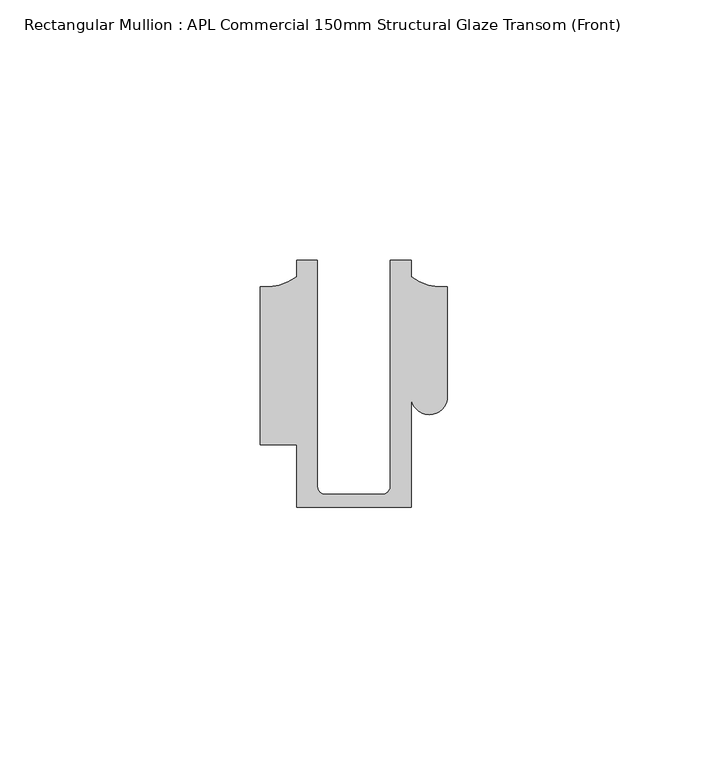
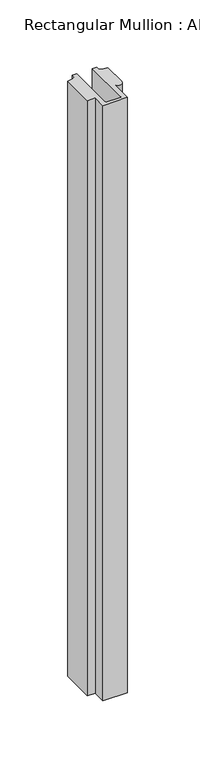
"""IFC4 building model written with IfcOpenShell, lengths in millimetres: member geometry, Rectangular Mullion : APL Commercial 150mm Structural Glaze Transom (Front)."""

from ifc_helpers import new_model, si_unit, frame, origin, place, context, project, spatial, polyline, circle_curve, source, transform, mapped, element, save
from ifc_brep_helpers import plane_surface, cylinder_surface, revolved_surface, advanced_brep


def rectangular_mullion_apl_commercial_150mm_structural_glaze_75ff10b4(model_context):
    return source(origin(), model_context, "Body", "AdvancedBrep", [
        advanced_brep(
        [(-11.0000151, -27.0, 0.0), (11.001071, -27.0, 0.0), (11.001071, -5.5848769, 0.0), (17.9999091, -5.6750512, 0.0), (17.9999542, 15.3797475, 0.0), (11.0000151, 17.3125212, 0.0), (11.0000151, 20.5, 0.0), (6.9999849, 20.5, 0.0), (6.9999849, -22.9973451, 0.0), (5.4999872, -24.5, 0.0), (-5.4999873, -24.5, 0.0), (-6.9999853, -22.9976091, 0.0), (-6.9999853, 20.5, 0.0), (-10.9999994, 20.5, 0.0), (-10.9999994, 17.3125325, 0.0), (-17.9999542, 15.3797475, 0.0), (-17.9999542, -15.0006281, 0.0), (-11.0000151, -15.0006281, 0.0), (-11.0000151, -27.0, -563.5136876), (-11.0000151, -15.0006281, -563.5136876), (-17.9999542, -15.0006281, -563.5136876), (-17.9999542, 15.3797475, -563.5136876), (-10.9999994, 17.3125325, -563.5136876), (-10.9999994, 20.5, -563.5136876), (-6.9999853, 20.5, -563.5136876), (-6.9999853, -22.9976091, -563.5136876), (-5.4999873, -24.5, -563.5136876), (5.4999872, -24.5, -563.5136876), (6.9999849, -22.9973451, -563.5136876), (6.9999849, 20.5, -563.5136876), (11.0000151, 20.5, -563.5136876), (11.0000151, 17.3125212, -563.5136876), (17.9999542, 15.3797475, -563.5136876), (17.9999542, -5.684606, -563.5136876), (11.001071, -5.5848769, -563.5136876), (11.001071, -27.0, -563.5136876)],
        [
            (0, 1),
            (1, 2),
            (2, 3, circle_curve(frame((14.4999091, -5.6750512, 0.0), z_axis=(0.0, 0.0, 1.0), x_axis=(-0.9999826028573957, 0.005898642432633649, 0.0)), 3.5)),
            (3, 4),
            (4, 5, circle_curve(frame((17.109817, 25.7981812, 0.0), z_axis=(0.0, 0.0, -1.0), x_axis=(0.0, -1.0, 0.0)), 10.4563907)),
            (5, 6),
            (6, 7),
            (7, 8),
            (8, 9, circle_curve(frame((5.4999872, -23.0, 0.0), z_axis=(0.0, 0.0, -1.0), x_axis=(0.9999999999999986, 5.463622857820516e-08, 0.0)), 1.5)),
            (9, 10),
            (10, 11, circle_curve(frame((-5.4999873, -23.0, 0.0), z_axis=(0.0, 0.0, -1.0), x_axis=(2.7320010112268853e-08, -0.9999999999999997, 0.0)), 1.5)),
            (11, 12),
            (12, 13),
            (13, 14),
            (14, 15, circle_curve(frame((-17.109817, 25.7981812, 0.0), z_axis=(0.0, 0.0, -1.0), x_axis=(0.0, -1.0, 0.0)), 10.4563907)),
            (15, 16),
            (16, 17),
            (17, 0),
            (18, 19),
            (19, 20),
            (20, 21),
            (21, 22, circle_curve(frame((-17.109817, 25.7981812, -563.5136876), z_axis=(0.0, 0.0, 1.0), x_axis=(0.0, -1.0, 0.0)), 10.4563907)),
            (22, 23),
            (23, 24),
            (24, 25),
            (25, 26, circle_curve(frame((-5.4999873, -23.0, -563.5136876), z_axis=(0.0, 0.0, 1.0), x_axis=(2.7320010112268853e-08, -0.9999999999999997, 0.0)), 1.5)),
            (26, 27),
            (27, 28, circle_curve(frame((5.4999872, -23.0, -563.5136876), z_axis=(0.0, 0.0, 1.0), x_axis=(0.9999999999999986, 5.463622857820516e-08, 0.0)), 1.5)),
            (28, 29),
            (29, 30),
            (30, 31),
            (31, 32, circle_curve(frame((17.109817, 25.7981812, -563.5136876), z_axis=(0.0, 0.0, 1.0), x_axis=(0.0, -1.0, 0.0)), 10.4563907)),
            (32, 33),
            (33, 34, circle_curve(frame((14.4999091, -5.6750512, -563.5136876), z_axis=(0.0, 0.0, -1.0), x_axis=(-0.9999826028573957, 0.005898642432633649, 0.0)), 3.5)),
            (34, 35),
            (35, 18),
            (0, 18),
            (35, 1),
            (34, 2),
            (33, 3),
            (32, 4),
            (31, 5),
            (30, 6),
            (29, 7),
            (28, 8),
            (27, 9),
            (26, 10),
            (25, 11),
            (24, 12),
            (23, 13),
            (22, 14),
            (21, 15),
            (20, 16),
            (19, 17),
        ],
        [
            plane_surface(frame((0.0, -29.1551636, 0.0), z_axis=(0.0, 0.0, 1.0), x_axis=(-1.0, 0.0, 0.0))),
            plane_surface(frame((0.0, -29.1551636, -563.5136876), z_axis=(0.0, 0.0, -1.0), x_axis=(-1.0, 0.0, 0.0))),
            plane_surface(frame((-11.0000151, -27.0, 0.0), z_axis=(0.0, -1.0, 0.0), x_axis=(0.0, 0.0, -1.0))),
            plane_surface(frame((11.001071, -27.0, 0.0), z_axis=(1.0, 0.0, 0.0), x_axis=(0.0, 0.0, -1.0))),
            cylinder_surface(frame((14.4999091, -5.6750512, 0.0), z_axis=(0.0, 0.0, 1.0), x_axis=(-0.9999826028573957, 0.005898642432633649, 0.0)), 3.5),
            plane_surface(frame((17.9999542, -5.684606, 0.0), z_axis=(1.0, 0.0, 0.0), x_axis=(0.0, 0.0, -1.0))),
            revolved_surface(polyline([(17.109817, 15.341790499999998, -563.5136876), (17.109817, 15.341790499999998, 0.0)]), (17.109817, 25.7981812, 0.0), (0.0, 0.0, -1.0)),
            plane_surface(frame((11.0000151, 17.3125212, 0.0), z_axis=(1.0, 0.0, 0.0), x_axis=(0.0, 0.0, -1.0))),
            plane_surface(frame((11.0000151, 20.5, 0.0), z_axis=(0.0, 1.0, 0.0), x_axis=(0.0, 0.0, -1.0))),
            plane_surface(frame((6.9999849, 20.5, 0.0), z_axis=(-1.0, 0.0, 0.0), x_axis=(0.0, 0.0, -1.0))),
            revolved_surface(polyline([(6.999987199999998, -22.999999918045656, -563.5136876), (6.999987199999998, -22.999999918045656, 0.0)]), (5.4999872, -23.0, 0.0), (0.0, 0.0, -1.0)),
            plane_surface(frame((5.4999872, -24.5, 0.0), z_axis=(0.0, 1.0, 0.0), x_axis=(0.0, 0.0, -1.0))),
            revolved_surface(polyline([(-5.499987259019985, -24.5, -563.5136876), (-5.499987259019985, -24.5, 0.0)]), (-5.4999873, -23.0, 0.0), (0.0, 0.0, -1.0)),
            plane_surface(frame((-6.9999853, -22.9976091, 0.0), z_axis=(1.0, 0.0, 0.0), x_axis=(0.0, 0.0, -1.0))),
            plane_surface(frame((-6.9999853, 20.5, 0.0), z_axis=(0.0, 1.0, 0.0), x_axis=(0.0, 0.0, -1.0))),
            plane_surface(frame((-10.9999994, 20.5, 0.0), z_axis=(-1.0, 0.0, 0.0), x_axis=(0.0, 0.0, -1.0))),
            revolved_surface(polyline([(-17.109817, 15.341790499999998, -563.5136876), (-17.109817, 15.341790499999998, 0.0)]), (-17.109817, 25.7981812, 0.0), (0.0, 0.0, -1.0)),
            plane_surface(frame((-17.9999542, 15.3797475, 0.0), z_axis=(-1.0, 0.0, 0.0), x_axis=(0.0, 0.0, -1.0))),
            plane_surface(frame((-17.9999542, -15.0006281, 0.0), z_axis=(0.0, -1.0, 0.0), x_axis=(0.0, 0.0, -1.0))),
            plane_surface(frame((-11.0000151, -15.0006281, 0.0), z_axis=(-1.0, 0.0, 0.0), x_axis=(0.0, 0.0, -1.0))),
        ],
        [
            (0, [[1, 2, 3, 4, 5, 6, 7, 8, 9, 10, 11, 12, 13, 14, 15, 16, 17, 18]]),
            (1, [[19, 20, 21, 22, 23, 24, 25, 26, 27, 28, 29, 30, 31, 32, 33, 34, 35, 36]]),
            (2, [[-1, 37, -36, 38]]),
            (3, [[-2, -38, -35, 39]]),
            (4, [[-3, -39, -34, 40]]),
            (5, [[-4, -40, -33, 41]]),
            (6, [[-5, -41, -32, 42]]),
            (7, [[-6, -42, -31, 43]]),
            (8, [[-7, -43, -30, 44]]),
            (9, [[-8, -44, -29, 45]]),
            (10, [[-9, -45, -28, 46]]),
            (11, [[-10, -46, -27, 47]]),
            (12, [[-11, -47, -26, 48]]),
            (13, [[-12, -48, -25, 49]]),
            (14, [[-13, -49, -24, 50]]),
            (15, [[-14, -50, -23, 51]]),
            (16, [[-15, -51, -22, 52]]),
            (17, [[-16, -52, -21, 53]]),
            (18, [[-17, -53, -20, 54]]),
            (19, [[-18, -54, -19, -37]]),
        ],
    ),
    ])


if __name__ == "__main__":
    model = new_model("IFC4")
    model_context = context("Model", 3, world=origin())
    ifc_project = project(units=[si_unit("LENGTHUNIT", "METRE", prefix="MILLI")], contexts=[model_context])
    site = spatial("IfcSite", under=ifc_project)
    building = spatial("IfcBuilding", under=site)
    placement = place(None, origin())
    rectangular_mullion_apl_commercial_150mm_structural_glaze_shape = rectangular_mullion_apl_commercial_150mm_structural_glaze_75ff10b4(model_context)
    element("IfcMember", 1, ObjectType="Rectangular Mullion : APL Commercial 150mm Structural Glaze Transom (Front)", at=placement, inside=building, context=model_context, shape_type="MappedRepresentation", body=[
        mapped(rectangular_mullion_apl_commercial_150mm_structural_glaze_shape, transform((0.0, 0.0, 0.0), x_axis=(1.0, 0.0, 0.0), y_axis=(0.0, 1.0, 0.0), z_axis=(0.0, 0.0, 1.0))),
    ])
    save(model, "model.ifc")
